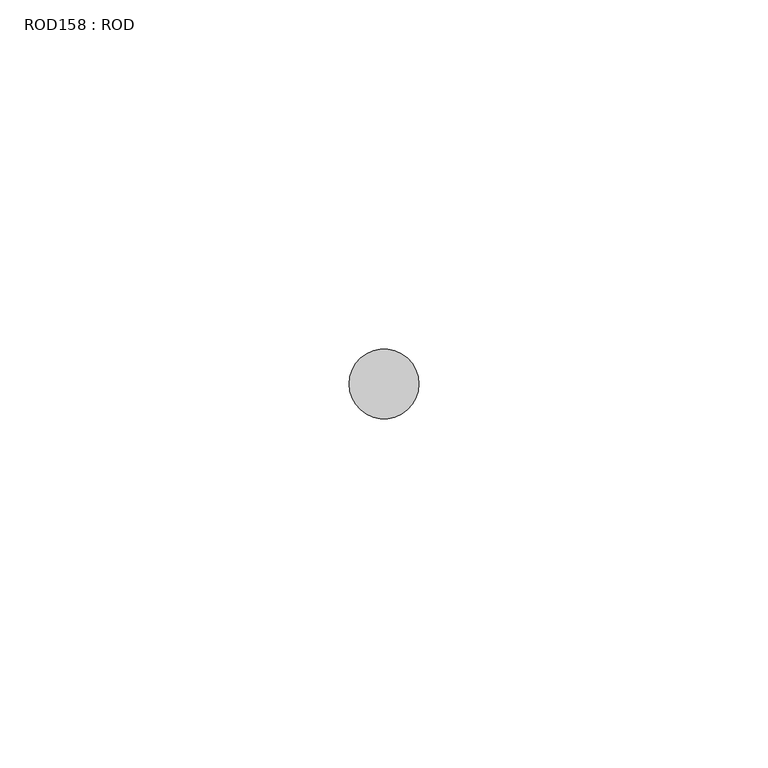
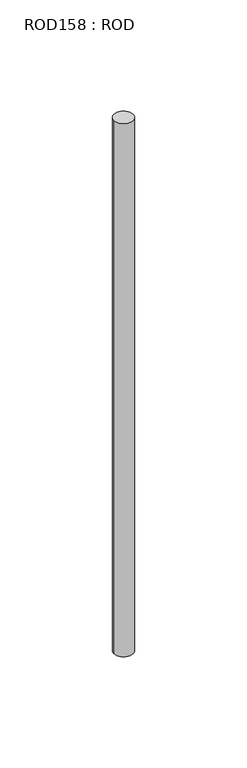
"""IFC4 building model written with IfcOpenShell, lengths in millimetres: proxy geometry, ROD158 : ROD."""

from ifc_helpers import new_model, si_unit, point, frame, frame_2d, origin, place, context, project, spatial, circle_curve, trimmed, segment, composite_curve, outline, extrude, source, transform, mapped, element, save


def rod158_rod_573aa7e1(model_context):
    return source(origin(), model_context, "Body", "SweptSolid", [
        extrude(outline(composite_curve([segment(trimmed(circle_curve(frame_2d((-6467.2215616, -12414.6300853)), 5.0), [point((-6472.2215616, -12414.6300853))], [point((-6462.2215616, -12414.6300853))], False, "CARTESIAN"), True, "CONTINUOUS"), segment(trimmed(circle_curve(frame_2d((-6467.2215616, -12414.6300853)), 5.0), [point((-6462.2215616, -12414.6300853))], [point((-6472.2215616, -12414.6300853))], False, "CARTESIAN"), True, "CONTINUOUS")], self_intersect=False)), frame((0.0, 0.0, -208.6608845), z_axis=(0.0, 0.0, 1.0), x_axis=(1.0, 0.0, 0.0)), (0.0, 0.0, 1.0), 298.9028972),
    ])


if __name__ == "__main__":
    model = new_model("IFC4")
    model_context = context("Model", 3, world=origin())
    ifc_project = project(units=[si_unit("LENGTHUNIT", "METRE", prefix="MILLI")], contexts=[model_context])
    site = spatial("IfcSite", under=ifc_project)
    building = spatial("IfcBuilding", under=site)
    placement = place(None, origin())
    rod158_rod_shape = rod158_rod_573aa7e1(model_context)
    element("IfcBuildingElementProxy", 1, Name="ROD158 : ROD", ObjectType="ROD158 : ROD", at=placement, inside=building, context=model_context, shape_type="MappedRepresentation", body=[
        mapped(rod158_rod_shape, transform((0.0, 0.0, 0.0), x_axis=(1.0, 0.0, 0.0), y_axis=(0.0, 1.0, 0.0), z_axis=(0.0, 0.0, 1.0))),
    ])
    save(model, "model.ifc")
